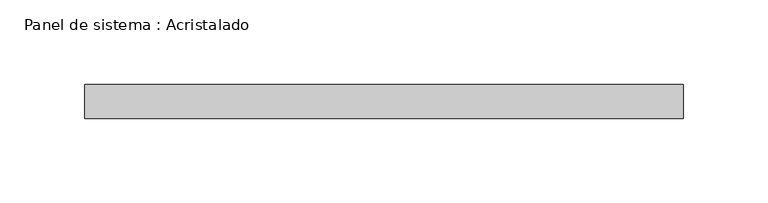
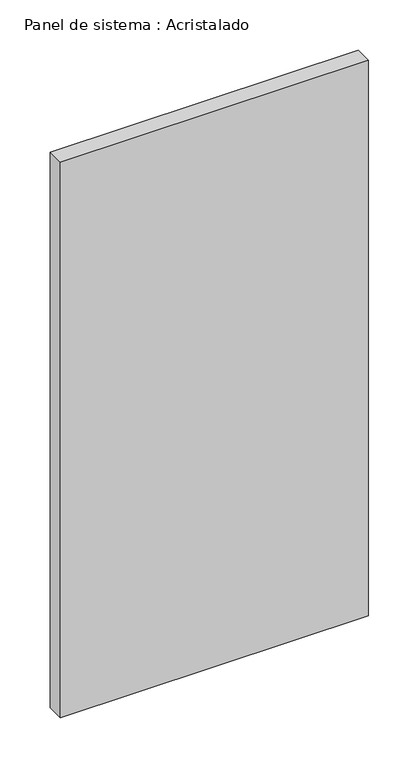
"""IFC4 building model written with IfcOpenShell, lengths in millimetres: plate geometry, Panel de sistema : Acristalado."""

from ifc_helpers import new_model, si_unit, origin, origin_with_axes, place, context, project, spatial, polyline, outline, extrude, source, transform, mapped, element, save


def panel_de_sistema_acristalado_1c36e4bc(model_context):
    return source(origin(), model_context, "Body", "SweptSolid", [
        extrude(outline(polyline([(176.6666667, -10.0), (-176.6666667, -10.0), (-176.6666667, 10.0), (176.6666667, 10.0), (176.6666667, -10.0)])), origin_with_axes(), (0.0, 0.0, 1.0), 673.7704445),
    ])


if __name__ == "__main__":
    model = new_model("IFC4")
    model_context = context("Model", 3, world=origin())
    ifc_project = project(units=[si_unit("LENGTHUNIT", "METRE", prefix="MILLI")], contexts=[model_context])
    site = spatial("IfcSite", under=ifc_project)
    building = spatial("IfcBuilding", under=site)
    placement = place(None, origin())
    panel_de_sistema_acristalado_shape = panel_de_sistema_acristalado_1c36e4bc(model_context)
    element("IfcPlate", 1, ObjectType="Panel de sistema : Acristalado", at=placement, inside=building, context=model_context, shape_type="MappedRepresentation", body=[
        mapped(panel_de_sistema_acristalado_shape, transform((0.0, 0.0, 0.0), x_axis=(1.0, 0.0, 0.0), y_axis=(0.0, 1.0, 0.0), z_axis=(0.0, 0.0, 1.0))),
    ])
    save(model, "model.ifc")
